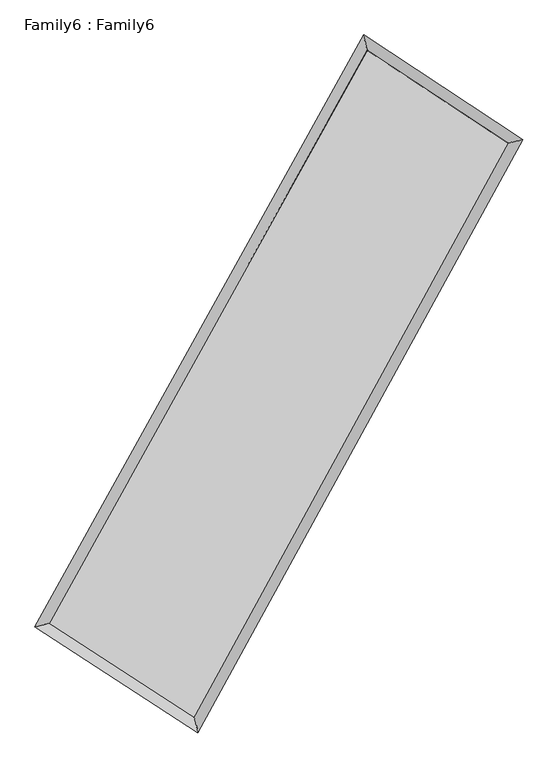
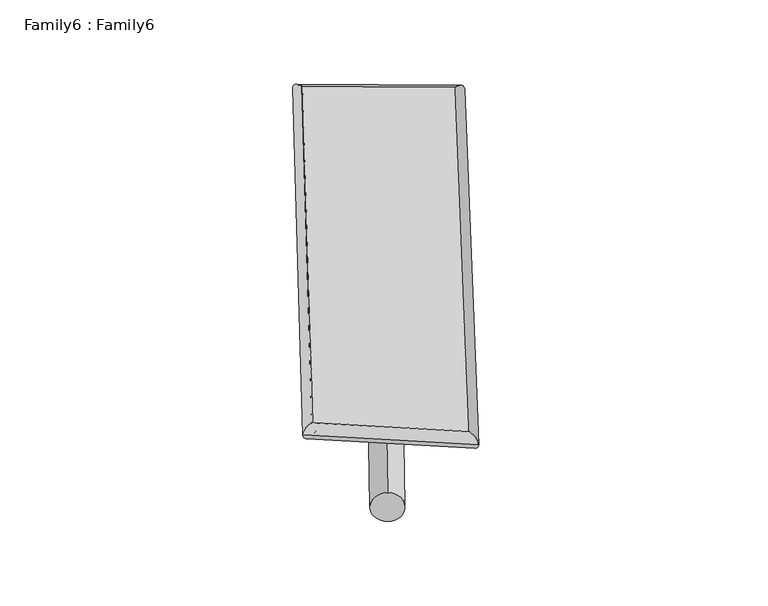
"""IFC4 building model written with IfcOpenShell, lengths in millimetres: plate geometry, Family6 : Family6."""

from ifc_helpers import new_model, si_unit, point, frame, origin, origin_2d, place, context, project, spatial, circle_curve, ellipse_curve, trimmed, segment, composite_curve, outline, extrude, source, transform, mapped, element, save
from ifc_brep_helpers import plane_surface, cylinder_surface, spline_surface, advanced_brep


def family6_family6_5d8fcbc2(model_context):
    return source(origin(), model_context, "Body", "SolidModel", [
        extrude(outline(composite_curve([segment(trimmed(circle_curve(origin_2d(), 76.2), [point((-75.4341514, -10.7763073))], [point((75.4341514, 10.7763073))], False, "CARTESIAN"), True, "CONTINUOUS"), segment(trimmed(circle_curve(origin_2d(), 76.2), [point((75.4341514, 10.7763073))], [point((-75.4341514, -10.7763073))], False, "CARTESIAN"), True, "CONTINUOUS")], self_intersect=False)), frame((9144.0, 9144.0, 0.0), z_axis=(0.6616619922641309, 0.6925637147788749, 0.2873306613724798), x_axis=(-0.6855829499946725, 0.7139769889297177, -0.14217200130636154)), (0.0, 0.0, 1.0), 5461.2936474),
        extrude(outline(composite_curve([segment(trimmed(circle_curve(origin_2d(), 76.2), [point((-53.8815367, 53.8815367))], [point((53.8815367, -53.8815367))], False, "CARTESIAN"), True, "CONTINUOUS"), segment(trimmed(circle_curve(origin_2d(), 76.2), [point((53.8815367, -53.8815367))], [point((-53.8815367, 53.8815367))], False, "CARTESIAN"), True, "CONTINUOUS")], self_intersect=False)), frame((9144.0, 9144.0, 0.0), z_axis=(-0.6658370857470644, -0.688892903039906, 0.28650923787045224), x_axis=(0.6511630542014936, -0.349105199044119, 0.6738785030280673)), (0.0, 0.0, 1.0), 5475.0420871),
        extrude(outline(composite_curve([segment(trimmed(circle_curve(origin_2d(), 76.2), [point((-53.8815368, -53.8815367))], [point((53.8815368, 53.8815367))], False, "CARTESIAN"), True, "CONTINUOUS"), segment(trimmed(circle_curve(origin_2d(), 76.2), [point((53.8815368, 53.8815367))], [point((-53.8815368, -53.8815367))], False, "CARTESIAN"), True, "CONTINUOUS")], self_intersect=False)), frame((9144.0, 9144.0, 0.0), z_axis=(0.24320167223443862, 0.933974111425774, 0.26181158455807224), x_axis=(-0.8439557075612533, 0.336795418974172, -0.417501628060055)), (0.0, 0.0, 1.0), 5633.5134234),
        extrude(outline(composite_curve([segment(trimmed(circle_curve(origin_2d(), 76.2), [point((-75.4341515, 10.7763073))], [point((75.4341515, -10.7763073))], False, "CARTESIAN"), True, "CONTINUOUS"), segment(trimmed(circle_curve(origin_2d(), 76.2), [point((75.4341515, -10.7763073))], [point((-75.4341515, 10.7763073))], False, "CARTESIAN"), True, "CONTINUOUS")], self_intersect=False)), frame((9144.0, 9144.0, 0.0), z_axis=(-0.2380789116260118, -0.9352565010249737, 0.2619421866166221), x_axis=(0.8902383397121237, -0.10230566586561791, 0.4438572397048336)), (0.0, 0.0, 1.0), 5633.6351732),
        advanced_brep(
        [(5296.6665132, 5322.2325737, 1561.658754), (5296.4216246, 5321.9011936, 1577.171832), (5700.3613516, 5422.3321509, 1575.6415174), (10567.3239627, 14187.9637815, 1484.6875618), (10460.8358075, 14623.1476061, 1465.1505902), (5700.6062401, 5422.663531, 1560.1284394), (12556.46861, 12876.3833473, 1568.2787325), (12958.5922601, 12976.2042845, 1570.1154988), (7747.9592383, 4092.3970556, 1477.528867), (7857.5413006, 3657.8151042, 1473.8445648)],
        [
            (0, 1, ellipse_curve(frame((5498.5139324, 5372.2823623, 1568.6501357), z_axis=(-0.2411878906723312, 0.970330927348791, 0.016920189817691996), x_axis=(-0.9698621326274586, -0.24161934252362946, 0.03142510165086326)), 208.4600001, 152.4)),
            (1, 2, ellipse_curve(frame((5498.5139324, 5372.2823623, 1568.6501357), z_axis=(-0.2411878906723312, 0.970330927348791, 0.016920189817691996), x_axis=(-0.9698621326274586, -0.24161934252362946, 0.03142510165086326)), 208.4600001, 152.4)),
            (2, 3),
            (3, 4, ellipse_curve(frame((10514.0798851, 14405.5556938, 1474.919076), z_axis=(-0.9709662726205064, -0.23845093834325023, -0.01912190985921468), x_axis=(0.23782787368232577, -0.9708414130924176, 0.030080776659884182)), 224.2482231, 152.4)),
            (4, 0),
            (2, 5, ellipse_curve(frame((5498.5139324, 5372.2823623, 1568.6501357), z_axis=(-0.2411878906723312, 0.970330927348791, 0.016920189817691996), x_axis=(-0.9698621326274586, -0.24161934252362946, 0.03142510165086326)), 208.4600001, 152.4)),
            (5, 0, ellipse_curve(frame((5498.5139324, 5372.2823623, 1568.6501357), z_axis=(-0.2411878906723312, 0.970330927348791, 0.016920189817691996), x_axis=(-0.9698621326274586, -0.24161934252362946, 0.03142510165086326)), 208.4600001, 152.4)),
            (4, 3, ellipse_curve(frame((10514.0798851, 14405.5556938, 1474.919076), z_axis=(-0.9709662726205064, -0.23845093834325023, -0.01912190985921468), x_axis=(0.23782787368232577, -0.9708414130924176, 0.030080776659884182)), 224.2482231, 152.4)),
            (3, 6),
            (6, 7, ellipse_curve(frame((12757.530435, 12926.2938159, 1569.1971156), z_axis=(-0.24080882248389204, 0.9704115691696377, -0.01767759699854229), x_axis=(-0.969909915887958, -0.24127741588226287, -0.03255708290666761)), 207.2355965, 152.4)),
            (7, 4),
            (7, 6, ellipse_curve(frame((12757.530435, 12926.2938159, 1569.1971156), z_axis=(-0.24080882248389204, 0.9704115691696377, -0.01767759699854229), x_axis=(-0.969909915887958, -0.24127741588226287, -0.03255708290666761)), 207.2355965, 152.4)),
            (6, 8),
            (8, 9, ellipse_curve(frame((7802.7502695, 3875.1060799, 1475.6867159), z_axis=(0.9694515890719252, 0.24460648405567267, -0.018201219844864055), x_axis=(-0.24402645184290558, 0.969327901263434, 0.02923201384079272)), 224.157598, 152.4)),
            (9, 7),
            (9, 8, ellipse_curve(frame((7802.7502695, 3875.1060799, 1475.6867159), z_axis=(0.9694515890719252, 0.24460648405567267, -0.018201219844864055), x_axis=(-0.24402645184290558, 0.969327901263434, 0.02923201384079272)), 224.157598, 152.4)),
            (8, 5),
            (1, 9),
        ],
        [
            cylinder_surface(frame((5498.5139324, 5372.2823623, 1568.6501357), z_axis=(-0.485407043900356, -0.8742412214031932, 0.009071302628136681), x_axis=(-0.8732260159823371, 0.48427985981757427, -0.05430784829733008)), 152.4),
            cylinder_surface(frame((10514.0798851, 14405.5556938, 1474.919076), z_axis=(-0.8343381729832497, 0.5501367759515563, -0.03506195728421383), x_axis=(0.5510542951536859, 0.8340561458028846, -0.026258511784030013)), 152.4),
            cylinder_surface(frame((12757.530435, 12926.2938159, 1569.1971156), z_axis=(0.48015901497845537, 0.8771346543117762, 0.009061928066386497), x_axis=(0.877178401061692, -0.4801590149784554, -0.002317983126126351)), 152.4),
            cylinder_surface(frame((7802.7502695, 3875.1060799, 1475.6867159), z_axis=(0.8380601622772046, -0.5445291257861575, -0.03381117528966996), x_axis=(-0.5439875592278516, -0.8387394874070154, 0.02436406512759843)), 152.4),
        ],
        [
            (0, [[1, 2, 3, 4, 5]]),
            (0, [[6, 7, -5, 8, -3]]),
            (1, [[-4, 9, 10, 11]]),
            (1, [[-8, -11, 12, -9]]),
            (2, [[-10, 13, 14, 15]]),
            (2, [[-12, -15, 16, -13]]),
            (3, [[-14, 17, -6, -2, 18]]),
            (3, [[-16, -18, -1, -7, -17]]),
        ],
    ),
        extrude(outline(composite_curve([segment(trimmed(circle_curve(origin_2d(), 304.8), [point((0.0, -304.8))], [point((0.0, 304.8))], False, "CARTESIAN"), True, "CONTINUOUS"), segment(trimmed(circle_curve(origin_2d(), 304.8), [point((0.0, 304.8))], [point((0.0, -304.8))], False, "CARTESIAN"), True, "CONTINUOUS")], self_intersect=False)), frame((6599.5281473, 4639.3658237, -0.0541074), z_axis=(0.49181908574308014, 0.8706974140247938, 1.0458379442275486e-05), x_axis=(-0.8706974140832627, 0.4918190857430801, 2.749579155395134e-06)), (0.0, 0.0, 1.0), 10347.1862986),
        advanced_brep(
        [(5498.5139324, 5372.2823623, 1568.6501357), (7802.7502695, 3875.1060799, 1475.6867159), (7802.7721347, 3875.0972872, 1628.086714), (5498.5357976, 5372.2735697, 1721.0501339), (12757.530435, 12926.2938159, 1569.1971156), (12757.5523003, 12926.2850232, 1721.5971138), (10514.0798851, 14405.5556938, 1474.919076), (10514.1017503, 14405.5469011, 1627.3190742)],
        [
            (0, 1),
            (1, 2),
            (2, 3),
            (3, 0),
            (1, 4),
            (4, 5),
            (5, 2),
            (4, 6),
            (6, 7),
            (7, 5),
            (6, 0),
            (3, 7),
        ],
        [
            plane_surface(frame((6650.6321009, 4623.6942211, 1522.1684258), z_axis=(-0.5448397992109735, -0.8385401554536827, 2.9790267442032087e-05), x_axis=(0.8380601622772046, -0.5445291257861575, -0.03381117528966994))),
            plane_surface(frame((10280.1403523, 8400.6999479, 1522.4419158), z_axis=(0.8771713288888774, -0.48017750488398, -0.00015355362731527206), x_axis=(0.48015901497845537, 0.8771346543117762, 0.009061928066386513))),
            plane_surface(frame((11635.8051601, 13665.9247548, 1522.0580958), z_axis=(0.5504761430566675, 0.8348508938583524, -3.081177836774737e-05), x_axis=(-0.8343381729832497, 0.5501367759515564, -0.035061957284213824))),
            plane_surface(frame((8006.2969087, 9888.9190281, 1521.7846058), z_axis=(-0.8742765076439919, 0.48542822810134545, 0.00015344123858743088), x_axis=(-0.4854070439003561, -0.874241221403193, 0.009071302628136687))),
            spline_surface(1, 1, [[(7802.7721347, 3875.0972872, 1628.086714), (5498.5357976, 5372.2735697, 1721.0501339)], [(12757.5523003, 12926.2850232, 1721.5971138), (10514.1017503, 14405.5469011, 1627.3190742)]], [2, 2], [2, 2], [0.0, 1.0], [0.0, 1.0]),
            spline_surface(1, 1, [[(10514.0798851, 14405.5556938, 1474.919076), (5498.5139324, 5372.2823623, 1568.6501357)], [(12757.530435, 12926.2938159, 1569.1971156), (7802.7502695, 3875.1060799, 1475.6867159)]], [2, 2], [2, 2], [0.0, 1.0], [0.0, 1.0]),
        ],
        [
            (0, [[1, 2, 3, 4]]),
            (1, [[5, 6, 7, -2]]),
            (2, [[8, 9, 10, -6]]),
            (3, [[11, -4, 12, -9]]),
            (4, [[-3, -7, -10, -12]]),
            (5, [[-11, -8, -5, -1]]),
        ],
    ),
    ])


if __name__ == "__main__":
    model = new_model("IFC4")
    model_context = context("Model", 3, world=origin())
    ifc_project = project(units=[si_unit("LENGTHUNIT", "METRE", prefix="MILLI")], contexts=[model_context])
    site = spatial("IfcSite", under=ifc_project)
    building = spatial("IfcBuilding", under=site)
    placement = place(None, origin())
    family6_family6_shape = family6_family6_5d8fcbc2(model_context)
    element("IfcPlate", 1, ObjectType="Family6 : Family6", at=placement, inside=building, context=model_context, shape_type="MappedRepresentation", body=[
        mapped(family6_family6_shape, transform((0.0, 0.0, 0.0), x_axis=(1.0, 0.0, 0.0), y_axis=(0.0, 1.0, 0.0), z_axis=(0.0, 0.0, 1.0))),
    ])
    save(model, "model.ifc")
